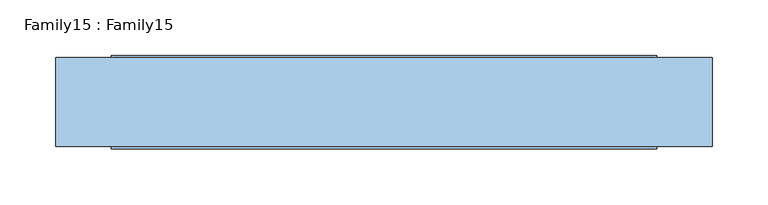
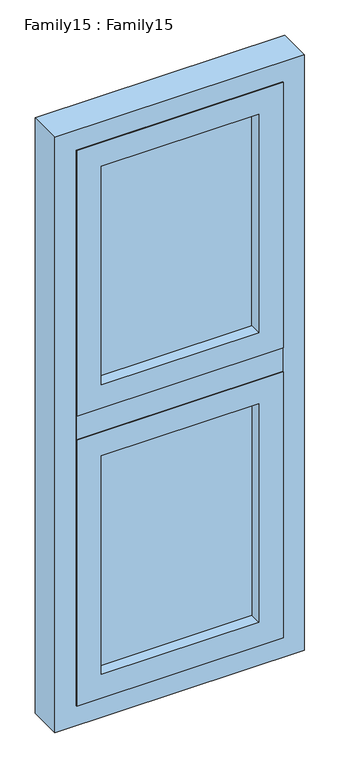
"""IFC4 building model written with IfcOpenShell, lengths in millimetres: window geometry, Family15 : Family15."""

from ifc_helpers import new_model, si_unit, frame, origin, place, context, project, spatial, polyline, outline, extrude, source, transform, mapped, element, save


def family15_family15_dff31bb4(model_context):
    return source(origin(), model_context, "Body", "SweptSolid", [
        extrude(outline(polyline([(186.0, -10.0), (186.0, -14.0), (-186.0, -14.0), (-186.0, -10.0), (186.0, -10.0)])), frame((0.0, 0.0, 909.0), z_axis=(0.0, 0.0, 1.0), x_axis=(1.0, 0.0, 0.0)), (0.0, 0.0, 1.0), 577.0),
        extrude(outline(polyline([(186.0, 14.0), (186.0, 10.0), (-186.0, 10.0), (-186.0, 14.0), (186.0, 14.0)])), frame((0.0, 0.0, 909.0), z_axis=(0.0, 0.0, 1.0), x_axis=(1.0, 0.0, 0.0)), (0.0, 0.0, 1.0), 577.0),
        extrude(outline(polyline([(1515.0, 245.0), (1515.0, -245.0), (850.0, -245.0), (850.0, 245.0), (1515.0, 245.0)]), holes=[polyline([(909.0, 186.0), (909.0, -186.0), (1456.0, -186.0), (1456.0, 186.0), (909.0, 186.0)])]), frame((0.0, -42.0, 0.0), z_axis=(0.0, 1.0, 0.0), x_axis=(0.0, 0.0, 1.0)), (0.0, 0.0, 1.0), 84.0),
        extrude(outline(polyline([(2240.0, 245.0), (2240.0, -245.0), (1575.0, -245.0), (1575.0, 245.0), (2240.0, 245.0)]), holes=[polyline([(1634.0, 186.0), (1634.0, -186.0), (2181.0, -186.0), (2181.0, 186.0), (1634.0, 186.0)])]), frame((0.0, -42.0, 0.0), z_axis=(0.0, 1.0, 0.0), x_axis=(0.0, 0.0, 1.0)), (0.0, 0.0, 1.0), 84.0),
        extrude(outline(polyline([(2290.0, 295.0), (2290.0, -295.0), (800.0, -295.0), (800.0, 295.0), (2290.0, 295.0)]), holes=[polyline([(850.0, 245.0), (850.0, -245.0), (2240.0, -245.0), (2240.0, 245.0), (850.0, 245.0)])]), frame((0.0, -40.0, 0.0), z_axis=(0.0, 1.0, 0.0), x_axis=(0.0, 0.0, 1.0)), (0.0, 0.0, 1.0), 80.0),
        extrude(outline(polyline([(186.0, -10.0), (186.0, -14.0), (-186.0, -14.0), (-186.0, -10.0), (186.0, -10.0)])), frame((0.0, 0.0, 1634.0), z_axis=(0.0, 0.0, 1.0), x_axis=(1.0, 0.0, 0.0)), (0.0, 0.0, 1.0), 547.0),
        extrude(outline(polyline([(186.0, 14.0), (186.0, 10.0), (-186.0, 10.0), (-186.0, 14.0), (186.0, 14.0)])), frame((0.0, 0.0, 1634.0), z_axis=(0.0, 0.0, 1.0), x_axis=(1.0, 0.0, 0.0)), (0.0, 0.0, 1.0), 547.0),
        extrude(outline(polyline([(245.0, -40.0), (-245.0, -40.0), (-245.0, 40.0), (245.0, 40.0), (245.0, -40.0)])), frame((0.0, 0.0, 1515.0), z_axis=(0.0, 0.0, 1.0), x_axis=(1.0, 0.0, 0.0)), (0.0, 0.0, 1.0), 60.0),
    ])


if __name__ == "__main__":
    model = new_model("IFC4")
    model_context = context("Model", 3, world=origin())
    ifc_project = project(units=[si_unit("LENGTHUNIT", "METRE", prefix="MILLI")], contexts=[model_context])
    site = spatial("IfcSite", under=ifc_project)
    building = spatial("IfcBuilding", under=site)
    placement = place(None, origin())
    family15_family15_shape = family15_family15_dff31bb4(model_context)
    element("IfcWindow", 1, ObjectType="Family15 : Family15", at=placement, inside=building, context=model_context, shape_type="MappedRepresentation", body=[
        mapped(family15_family15_shape, transform((0.0, 0.0, 0.0), x_axis=(1.0, 0.0, 0.0), y_axis=(0.0, 1.0, 0.0), z_axis=(0.0, 0.0, 1.0))),
    ])
    save(model, "model.ifc")
